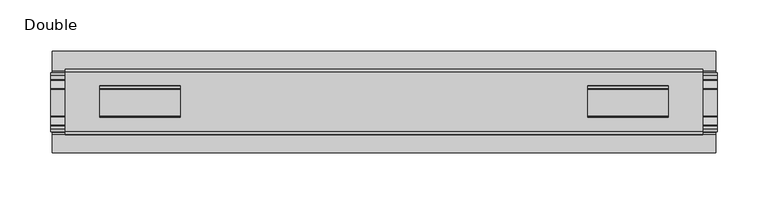
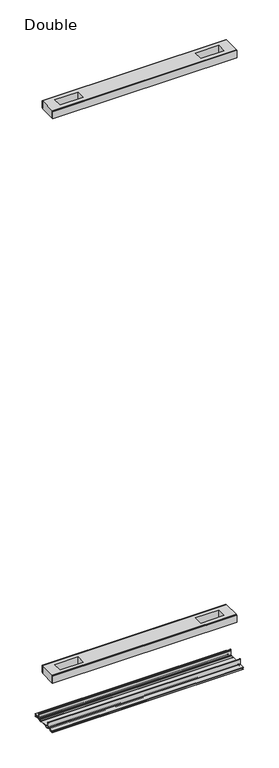
"""IFC4 building model written with IfcOpenShell, lengths in millimetres: proxy geometry, Double."""

from ifc_helpers import new_model, si_unit, point, frame, frame_2d, origin, place, context, project, spatial, polyline, circle_curve, trimmed, segment, composite_curve, outline, extrude, source, transform, mapped, element, save


def double_874d2eeb(model_context):
    return source(origin(), model_context, "Body", "SweptSolid", [
        extrude(outline(polyline([(314.2615091, 29.0068005), (-314.2615091, 29.0068005), (-314.2615091, 32.1817997), (314.2615091, 32.1817997), (314.2615091, 29.0068005)])), frame((0.0, 0.0, 2186.2851593), z_axis=(0.0, 0.0, 1.0), x_axis=(1.0, 0.0, 0.0)), (0.0, 0.0, 1.0), 25.3999939),
        extrude(outline(polyline([(314.2615091, -32.1817997), (-314.2615091, -32.1817997), (-314.2615091, -29.0068005), (314.2615091, -29.0068005), (314.2615091, -32.1817997)])), frame((0.0, 0.0, 2186.2851593), z_axis=(0.0, 0.0, 1.0), x_axis=(1.0, 0.0, 0.0)), (0.0, 0.0, 1.0), 25.3999939),
        extrude(outline(polyline([(314.2615091, -29.0068005), (-314.2615091, -29.0068005), (-314.2615091, 29.0068005), (314.2615091, 29.0068005), (314.2615091, -29.0068005)]), holes=[polyline([(279.8444965, -15.1130038), (279.8444965, 15.875003), (200.7996847, 15.875003), (200.7996847, -15.1130038), (279.8444965, -15.1130038)]), polyline([(-279.8444965, -15.1130038), (-200.7996847, -15.1130038), (-200.7996847, 15.875003), (-279.8444965, 15.875003), (-279.8444965, -15.1130038)])]), frame((0.0, 0.0, 2184.9851569), z_axis=(0.0, 0.0, 1.0), x_axis=(1.0, 0.0, 0.0)), (0.0, 0.0, 1.0), 27.9999988),
        extrude(outline(polyline([(314.2615091, 29.0068005), (-314.2615091, 29.0068005), (-314.2615091, 32.1817997), (314.2615091, 32.1817997), (314.2615091, 29.0068005)])), frame((0.0, 0.0, 149.8401622), z_axis=(0.0, 0.0, 1.0), x_axis=(1.0, 0.0, 0.0)), (0.0, 0.0, 1.0), 25.3999939),
        extrude(outline(polyline([(314.2615091, -32.1817997), (-314.2615091, -32.1817997), (-314.2615091, -29.0068005), (314.2615091, -29.0068005), (314.2615091, -32.1817997)])), frame((0.0, 0.0, 149.8401622), z_axis=(0.0, 0.0, 1.0), x_axis=(1.0, 0.0, 0.0)), (0.0, 0.0, 1.0), 25.3999939),
        extrude(outline(polyline([(314.2615091, -29.0068005), (-314.2615091, -29.0068005), (-314.2615091, 29.0068005), (314.2615091, 29.0068005), (314.2615091, -29.0068005)]), holes=[polyline([(279.8444965, -15.1130038), (279.8444965, 15.875003), (200.7996847, 15.875003), (200.7996847, -15.1130038), (279.8444965, -15.1130038)]), polyline([(-279.8444965, -15.1130038), (-200.7996847, -15.1130038), (-200.7996847, 15.875003), (-279.8444965, 15.875003), (-279.8444965, -15.1130038)])]), frame((0.0, 0.0, 148.4185847), z_axis=(0.0, 0.0, 1.0), x_axis=(1.0, 0.0, 0.0)), (0.0, 0.0, 1.0), 27.9999988),
        extrude(outline(composite_curve([segment(trimmed(circle_curve(frame_2d((26.6420561, -7.7516037)), 2.17424), [point((28.8162961, -7.7516037))], [point((26.6420561, -9.9258438))], False, "CARTESIAN"), True, "CONTINUOUS"), segment(polyline([(26.6420561, -9.9258438), (22.3510694, -9.9258438)]), True, "CONTINUOUS"), segment(trimmed(circle_curve(frame_2d((17.7706549, -6.4800016)), 5.7318431), [point((22.3510694, -9.9258438))], [point((13.1902404, -9.9258438))], False, "CARTESIAN"), True, "CONTINUOUS"), segment(polyline([(13.1902404, -9.9258438), (-13.57124, -9.9258438)]), True, "CONTINUOUS"), segment(trimmed(circle_curve(frame_2d((-18.1516545, -6.4800016)), 5.7318431), [point((-13.57124, -9.9258438))], [point((-22.732069, -9.9258438))], False, "CARTESIAN"), True, "CONTINUOUS"), segment(polyline([(-22.732069, -9.9258438), (-27.0230557, -9.9258438)]), True, "CONTINUOUS"), segment(trimmed(circle_curve(frame_2d((-27.0230557, -7.7516037)), 2.17424), [point((-27.0230557, -9.9258438))], [point((-29.1972958, -7.7516037))], False, "CARTESIAN"), True, "CONTINUOUS"), segment(polyline([(-29.1972958, -7.7516037), (-29.1972958, 9.8607558)]), True, "CONTINUOUS"), segment(trimmed(circle_curve(frame_2d((-27.9780978, 9.8607558)), 1.2191979), [point((-29.1972958, 9.8607558))], [point((-26.7588999, 9.8607558))], False, "CARTESIAN"), True, "CONTINUOUS"), segment(polyline([(-26.7588999, 9.8607558), (-26.7588999, 5.9999563), (-28.0390765, 5.9999563), (-28.0390765, -7.7516037)]), True, "CONTINUOUS"), segment(trimmed(circle_curve(frame_2d((-27.0230557, -7.7516037)), 1.0160208), [point((-28.0390765, -7.7516037))], [point((-27.0295728, -8.7676036))], True, "CARTESIAN"), True, "CONTINUOUS"), segment(polyline([(-27.0295728, -8.7676036), (-23.0866222, -8.7676036), (-22.1732605, -8.968753)]), True, "CONTINUOUS"), segment(trimmed(circle_curve(frame_2d((-18.1483018, -6.1259382)), 4.9276657), [point((-22.1732605, -8.968753))], [point((-14.123343, -8.968753))], True, "CARTESIAN"), True, "CONTINUOUS"), segment(polyline([(-14.123343, -8.968753), (-13.2099722, -8.7676036), (12.8289726, -8.7676036), (13.7423434, -8.968753)]), True, "CONTINUOUS"), segment(trimmed(circle_curve(frame_2d((17.7673021, -6.1259382)), 4.9276657), [point((13.7423434, -8.968753))], [point((21.7922609, -8.968753))], True, "CARTESIAN"), True, "CONTINUOUS"), segment(polyline([(21.7922609, -8.968753), (22.7056226, -8.7676036), (26.6485732, -8.7676036)]), True, "CONTINUOUS"), segment(trimmed(circle_curve(frame_2d((26.6420561, -7.7516037)), 1.0160208), [point((26.6485732, -8.7676036))], [point((27.6580769, -7.7516037))], True, "CARTESIAN"), True, "CONTINUOUS"), segment(polyline([(27.6580769, -7.7516037), (27.6580769, 5.9999563), (26.3779003, 5.9999563), (26.3779003, 9.8607558)]), True, "CONTINUOUS"), segment(trimmed(circle_curve(frame_2d((27.5970982, 9.8607558)), 1.2191979), [point((26.3779003, 9.8607558))], [point((28.8162961, 9.8607558))], False, "CARTESIAN"), True, "CONTINUOUS"), segment(polyline([(28.8162961, 9.8607558), (28.8162961, -7.7516037)]), True, "CONTINUOUS")], self_intersect=False)), frame((-328.3204, 0.0, 0.0), z_axis=(1.0, 0.0, 0.0), x_axis=(0.0, 1.0, 0.0)), (0.0, 0.0, 1.0), 656.6408),
        extrude(outline(composite_curve([segment(polyline([(50.2668422, -13.9898438), (39.6557522, -13.9898438)]), True, "CONTINUOUS"), segment(trimmed(circle_curve(frame_2d((39.6557522, -12.4658438)), 1.524), [point((39.6557522, -13.9898438))], [point((38.1317522, -12.4658438))], False, "CARTESIAN"), True, "CONTINUOUS"), segment(polyline([(38.1317522, -12.4658438), (38.1317522, -7.766844), (31.3054974, -7.766844), (31.3054974, -10.0528438)]), True, "CONTINUOUS"), segment(trimmed(circle_curve(frame_2d((29.7814974, -10.0528438)), 1.524), [point((31.3054974, -10.0528438))], [point((29.7814974, -11.5768438))], False, "CARTESIAN"), True, "CONTINUOUS"), segment(polyline([(29.7814974, -11.5768438), (23.2753553, -11.5768438)]), True, "CONTINUOUS"), segment(trimmed(circle_curve(frame_2d((17.7673021, -6.4968436)), 7.4930002), [point((23.2753553, -11.5768438))], [point((12.5094972, -11.8354331))], False, "CARTESIAN"), True, "CONTINUOUS"), segment(polyline([(12.5094972, -11.8354331), (-12.8904968, -11.8354331)]), True, "CONTINUOUS"), segment(trimmed(circle_curve(frame_2d((-18.1483018, -6.4968436)), 7.4930002), [point((-12.8904968, -11.8354331))], [point((-23.6563549, -11.5768438))], False, "CARTESIAN"), True, "CONTINUOUS"), segment(polyline([(-23.6563549, -11.5768438), (-30.1624971, -11.5768438)]), True, "CONTINUOUS"), segment(trimmed(circle_curve(frame_2d((-30.1624971, -10.0528438)), 1.524), [point((-30.1624971, -11.5768438))], [point((-31.686497, -10.0528438))], False, "CARTESIAN"), True, "CONTINUOUS"), segment(polyline([(-31.686497, -10.0528438), (-31.686497, -7.766844), (-38.5127519, -7.766844), (-38.5127519, -12.4658438)]), True, "CONTINUOUS"), segment(trimmed(circle_curve(frame_2d((-40.0367518, -12.4658438)), 1.524), [point((-38.5127519, -12.4658438))], [point((-40.0367518, -13.9898438))], False, "CARTESIAN"), True, "CONTINUOUS"), segment(polyline([(-40.0367518, -13.9898438), (-50.00625, -13.9898438), (-50.00625, -12.3388438), (-40.1637503, -12.3388438), (-40.1637503, -7.766844), (-50.00625, -7.766844), (-50.00625, -6.1158439), (-31.6239218, -6.1158439)]), True, "CONTINUOUS"), segment(trimmed(circle_curve(frame_2d((-31.6864982, -7.7656583)), 1.6510007), [point((-31.6239218, -6.1158439))], [point((-30.0354975, -7.7656583))], False, "CARTESIAN"), True, "CONTINUOUS"), segment(polyline([(-30.0354975, -7.7656583), (-30.0354975, -9.9258438), (-23.486834, -9.9258438)]), True, "CONTINUOUS"), segment(trimmed(circle_curve(frame_2d((-18.1483018, -5.2268471)), 7.1119966), [point((-23.486834, -9.9258438))], [point((-12.8097695, -9.9258438))], True, "CARTESIAN"), True, "CONTINUOUS"), segment(polyline([(-12.8097695, -9.9258438), (12.4287699, -9.9258438)]), True, "CONTINUOUS"), segment(trimmed(circle_curve(frame_2d((17.7673021, -5.2268471)), 7.1119966), [point((12.4287699, -9.9258438))], [point((23.1058344, -9.9258438))], True, "CARTESIAN"), True, "CONTINUOUS"), segment(polyline([(23.1058344, -9.9258438), (29.6544978, -9.9258438), (29.6544978, -7.6398436)]), True, "CONTINUOUS"), segment(trimmed(circle_curve(frame_2d((31.1784975, -7.6398436)), 1.5239997), [point((29.6544978, -7.6398436))], [point((31.1784975, -6.1158439))], False, "CARTESIAN"), True, "CONTINUOUS"), segment(polyline([(31.1784975, -6.1158439), (50.2668422, -6.1158439), (50.2240211, -7.766844), (39.7827507, -7.766844), (39.7827507, -12.3388438), (50.2240211, -12.3388438), (50.2668422, -13.9898438)]), True, "CONTINUOUS")], self_intersect=False)), frame((-326.6694, 0.0, 0.0), z_axis=(1.0, 0.0, 0.0), x_axis=(0.0, 1.0, 0.0)), (0.0, 0.0, 1.0), 653.3388),
    ])


if __name__ == "__main__":
    model = new_model("IFC4")
    model_context = context("Model", 3, world=origin())
    ifc_project = project(units=[si_unit("LENGTHUNIT", "METRE", prefix="MILLI")], contexts=[model_context])
    site = spatial("IfcSite", under=ifc_project)
    building = spatial("IfcBuilding", under=site)
    placement = place(None, origin())
    double_shape = double_874d2eeb(model_context)
    element("IfcBuildingElementProxy", 1, Name="Double", ObjectType="Double", at=placement, inside=building, context=model_context, shape_type="MappedRepresentation", body=[
        mapped(double_shape, transform((0.0, 0.0, 0.0), x_axis=(1.0, 0.0, 0.0), y_axis=(0.0, 1.0, 0.0), z_axis=(0.0, 0.0, 1.0))),
    ])
    save(model, "model.ifc")
